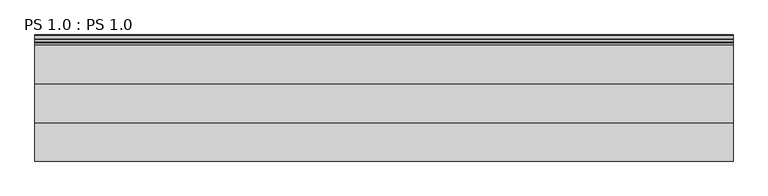
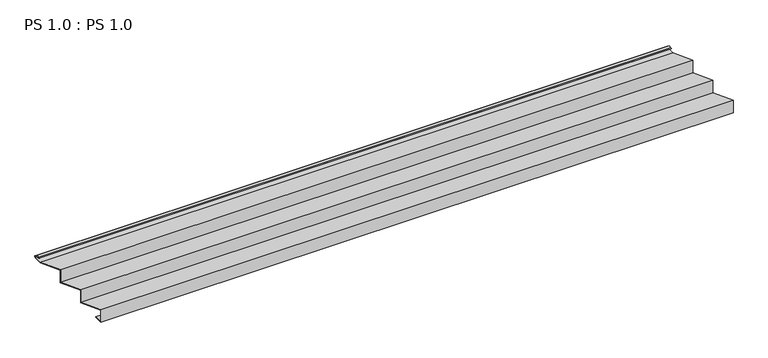
"""IFC4 building model written with IfcOpenShell, lengths in millimetres: proxy geometry, PS 1.0 : PS 1.0."""

from ifc_helpers import new_model, si_unit, point, frame, frame_2d, origin, place, context, project, spatial, polyline, circle_curve, trimmed, segment, composite_curve, outline, extrude, source, transform, mapped, element, save


def ps_1_0_ps_1_0_a9ed9bcd(model_context):
    return source(origin(), model_context, "Body", "SweptSolid", [
        extrude(outline(composite_curve([segment(polyline([(0.0, 0.0), (0.0, 38.0), (100.0, 0.0), (100.0, 38.0), (200.0, 0.0), (200.0, 38.0), (299.9966446, 0.0), (325.0510156, 0.0)]), True, "CONTINUOUS"), segment(trimmed(circle_curve(frame_2d((324.3094696, 1.9153551)), 2.0538928), [point((325.0510156, 0.0))], [point((325.1748462, 3.778041))], True, "CARTESIAN"), True, "CONTINUOUS"), segment(polyline([(325.1748462, 3.778041), (308.7874714, 6.923107)]), True, "CONTINUOUS"), segment(trimmed(circle_curve(frame_2d((309.4078886, 8.6005442)), 1.7884947), [point((308.7874714, 6.923107))], [point((308.9525789, 10.3301125))], False, "CARTESIAN"), True, "CONTINUOUS"), segment(polyline([(308.9525789, 10.3301125), (316.459338, 11.6715995), (316.635255, 10.6871945), (309.1762081, 9.3542338)]), True, "CONTINUOUS"), segment(trimmed(circle_curve(frame_2d((309.4078886, 8.6005442)), 0.7884947), [point((309.1762081, 9.3542338))], [point((309.0735117, 7.8864603))], True, "CARTESIAN"), True, "CONTINUOUS"), segment(polyline([(309.0735117, 7.8864603), (325.4722719, 4.7392091)]), True, "CONTINUOUS"), segment(trimmed(circle_curve(frame_2d((324.3094696, 1.9153551)), 3.0538928), [point((325.4722719, 4.7392091))], [point((325.2188462, -1.0))], False, "CARTESIAN"), True, "CONTINUOUS"), segment(polyline([(325.2188462, -1.0), (299.8130433, -1.0), (201.0, 36.5502164), (201.0, -1.4497663), (101.0, 36.5502337), (101.0, -1.4497663), (1.0, 36.5502337), (1.0, 1.0), (25.0, 1.0), (25.0, 0.0), (0.0, 0.0)]), True, "CONTINUOUS")], self_intersect=False)), frame((0.0, 0.0, 0.0), z_axis=(1.0, 0.0, 0.0), x_axis=(0.0, 1.0, 0.0)), (0.0, 0.0, 1.0), 1812.2237727),
    ])


if __name__ == "__main__":
    model = new_model("IFC4")
    model_context = context("Model", 3, world=origin())
    ifc_project = project(units=[si_unit("LENGTHUNIT", "METRE", prefix="MILLI")], contexts=[model_context])
    site = spatial("IfcSite", under=ifc_project)
    building = spatial("IfcBuilding", under=site)
    placement = place(None, origin())
    ps_1_0_ps_1_0_shape = ps_1_0_ps_1_0_a9ed9bcd(model_context)
    element("IfcBuildingElementProxy", 1, Name="PS 1.0 : PS 1.0", ObjectType="PS 1.0 : PS 1.0", at=placement, inside=building, context=model_context, shape_type="MappedRepresentation", body=[
        mapped(ps_1_0_ps_1_0_shape, transform((0.0, 0.0, 0.0), x_axis=(1.0, 0.0, 0.0), y_axis=(0.0, 1.0, 0.0), z_axis=(0.0, 0.0, 1.0))),
    ])
    save(model, "model.ifc")
